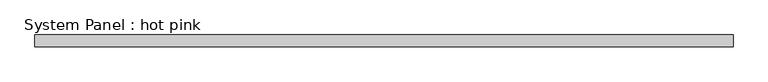
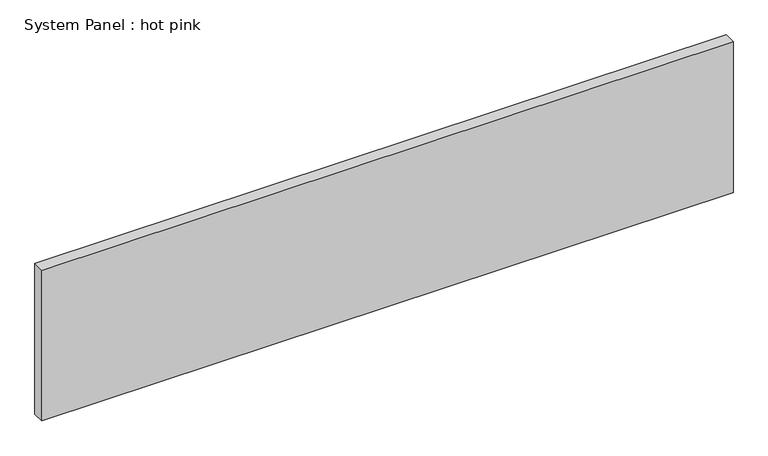
"""IFC4 building model written with IfcOpenShell, lengths in millimetres: plate geometry, System Panel : hot pink."""

from ifc_helpers import new_model, si_unit, origin, origin_with_axes, place, context, project, spatial, polyline, outline, extrude, source, transform, mapped, element, save


def system_panel_hot_pink_caa560bb(model_context):
    return source(origin(), model_context, "Body", "SweptSolid", [
        extrude(outline(polyline([(1845.0038172, -19.05), (-1845.0038172, -19.05), (-1845.0038172, 44.45), (1845.0038172, 44.45), (1845.0038172, -19.05)])), origin_with_axes(), (0.0, 0.0, 1.0), 850.9),
    ])


if __name__ == "__main__":
    model = new_model("IFC4")
    model_context = context("Model", 3, world=origin())
    ifc_project = project(units=[si_unit("LENGTHUNIT", "METRE", prefix="MILLI")], contexts=[model_context])
    site = spatial("IfcSite", under=ifc_project)
    building = spatial("IfcBuilding", under=site)
    placement = place(None, origin())
    system_panel_hot_pink_shape = system_panel_hot_pink_caa560bb(model_context)
    element("IfcPlate", 1, ObjectType="System Panel : hot pink", at=placement, inside=building, context=model_context, shape_type="MappedRepresentation", body=[
        mapped(system_panel_hot_pink_shape, transform((0.0, 0.0, 0.0), x_axis=(1.0, 0.0, 0.0), y_axis=(0.0, 1.0, 0.0), z_axis=(0.0, 0.0, 1.0))),
    ])
    save(model, "model.ifc")
